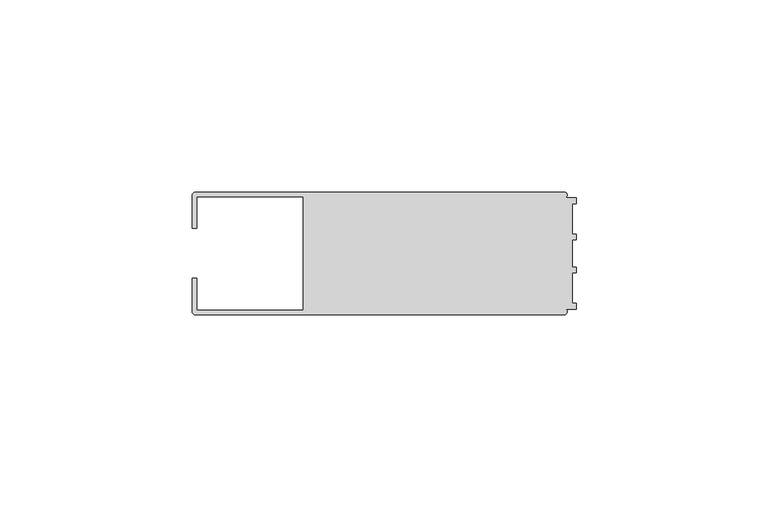
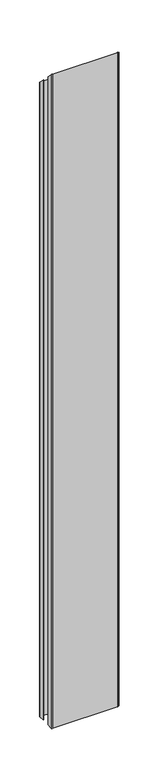
"""IFC4 building model written with IfcOpenShell, lengths in millimetres: member geometry."""

from ifc_helpers import new_model, si_unit, frame, origin, place, context, project, spatial, circle_curve, ellipse_curve, source, transform, mapped, element, save
from ifc_brep_helpers import plane_surface, cylinder_surface, advanced_brep


def member_c394996a(model_context):
    return source(origin(), model_context, "Body", "AdvancedBrep", [
        advanced_brep(
        [(-100.0, 6.5, -1000.0000001), (-100.0, 14.998921, -1000.0000001), (-98.998921, 16.0, -1000.0000001), (-3.1385263, 16.0, -1000.0000001), (-2.7260256, 14.4989182, -1000.0000001), (0.0, 14.4989182, -1000.0000001), (0.0, 12.9993664, -1000.0000001), (-0.999267, 12.9993664, -1000.0000001), (-0.999267, 5.0000405, -1000.0000001), (0.0, 5.0000405, -1000.0000001), (0.0, 3.5386284, -1000.0000001), (-0.999267, 3.5009282, -1000.0000001), (-0.999267, -3.5009282, -1000.0000001), (0.0, -3.5398992, -1000.0000001), (0.0, -5.0013113, -1000.0000001), (-0.999267, -5.0013113, -1000.0000001), (-0.999267, -13.0002136, -1000.0000001), (0.0, -13.0002136, -1000.0000001), (0.0, -14.5004469, -1000.0000001), (-2.7237818, -14.5004469, -1000.0000001), (-3.1117213, -16.0, -1000.0000001), (-98.9988146, -16.0, -1000.0000001), (-100.0, -14.9988146, -1000.0000001), (-100.0, -6.5002542, -1000.0000001), (-98.7495396, -6.5002542, -1000.0000001), (-98.7495396, -14.7490791, -1000.0000001), (-71.0, -14.7490791, -1000.0000001), (-71.0, 14.748825, -1000.0000001), (-98.7495396, 14.748825, -1000.0000001), (-98.7495396, 6.5, -1000.0000001), (-98.7495396, 6.5, -6.5), (-100.0, 6.5, -6.5), (-98.7495396, 14.748825, -14.748825), (-71.0, 14.748825, -14.748825), (-71.0, -14.7490791, 14.7490791), (-98.7495396, -14.7490791, 14.7490791), (-98.7495396, -6.5002542, 6.5002542), (-100.0, -6.5002542, 6.5002542), (-100.0, -14.9988146, 14.9988146), (-98.9988146, -16.0, 16.0), (-3.1117213, -16.0, 16.0), (-2.7237818, -14.5004469, 14.5004469), (0.0, -14.5004469, 14.5004469), (0.0, -13.0002136, 13.0002136), (-0.999267, -13.0002136, 13.0002136), (-0.999267, -5.0013113, 5.0013113), (0.0, -5.0013113, 5.0013113), (0.0, -3.5398992, 3.5398992), (-0.999267, -3.5009282, 3.5009282), (-0.999267, 3.5009282, -3.5009282), (0.0, 3.5386284, -3.5386284), (0.0, 5.0000405, -5.0000405), (-0.999267, 5.0000405, -5.0000405), (-0.999267, 12.9993664, -12.9993664), (0.0, 12.9993664, -12.9993664), (0.0, 14.4989182, -14.4989182), (-2.7260256, 14.4989182, -14.4989182), (-3.1385263, 16.0, -16.0), (-98.998921, 16.0, -16.0), (-100.0, 14.998921, -14.998921)],
        [
            (0, 1),
            (1, 2, circle_curve(frame((-98.998921, 14.998921, -1000.0000001), z_axis=(0.0, 0.0, -1.0), x_axis=(-1.0, 0.0, 0.0)), 1.001079)),
            (2, 3),
            (3, 4, circle_curve(frame((-3.1117577, 15.2001372, -1000.0000001), z_axis=(0.0, 0.0, -1.0), x_axis=(-1.0, 0.0, 0.0)), 0.8003107)),
            (4, 5),
            (5, 6),
            (6, 7),
            (7, 8),
            (8, 9),
            (9, 10),
            (10, 11),
            (11, 12),
            (12, 13),
            (13, 14),
            (14, 15),
            (15, 16),
            (16, 17),
            (17, 18),
            (18, 19),
            (19, 20, circle_curve(frame((-3.1117213, -15.2000428, -1000.0000001), z_axis=(0.0, 0.0, -1.0), x_axis=(-1.0, 0.0, 0.0)), 0.7999572)),
            (20, 21),
            (21, 22, circle_curve(frame((-98.9988146, -14.9988146, -1000.0000001), z_axis=(0.0, 0.0, -1.0), x_axis=(-1.0, 0.0, 0.0)), 1.0011854)),
            (22, 23),
            (23, 24),
            (24, 25),
            (25, 26),
            (26, 27),
            (27, 28),
            (28, 29),
            (29, 0),
            (30, 31),
            (31, 0),
            (29, 30),
            (32, 30),
            (28, 32),
            (33, 32),
            (27, 33),
            (34, 33),
            (26, 34),
            (35, 34),
            (25, 35),
            (36, 35),
            (24, 36),
            (37, 36),
            (23, 37),
            (38, 37),
            (22, 38),
            (39, 38, ellipse_curve(frame((-98.9988146, -14.9988146, 14.9988146), z_axis=(0.0, -0.7071067811865481, -0.707106781186547), x_axis=(0.0, -0.707106781186547, 0.7071067811865478)), 1.41589, 1.0011854)),
            (21, 39),
            (40, 39),
            (20, 40),
            (41, 40, ellipse_curve(frame((-3.1117213, -15.2000428, 15.2000428), z_axis=(0.0, -0.7071067811865481, -0.707106781186547), x_axis=(0.0, -0.707106781186547, 0.7071067811865478)), 1.1313103, 0.7999572)),
            (19, 41),
            (42, 41),
            (18, 42),
            (43, 42),
            (17, 43),
            (44, 43),
            (16, 44),
            (45, 44),
            (15, 45),
            (46, 45),
            (14, 46),
            (47, 46),
            (13, 47),
            (48, 47),
            (12, 48),
            (49, 48),
            (11, 49),
            (50, 49),
            (10, 50),
            (51, 50),
            (9, 51),
            (52, 51),
            (8, 52),
            (53, 52),
            (7, 53),
            (54, 53),
            (6, 54),
            (55, 54),
            (5, 55),
            (56, 55),
            (4, 56),
            (57, 56, ellipse_curve(frame((-3.1117577, 15.2001372, -15.2001372), z_axis=(0.0, -0.7071067811865481, -0.707106781186547), x_axis=(0.0, -0.707106781186547, 0.7071067811865478)), 1.1318102, 0.8003107)),
            (3, 57),
            (58, 57),
            (2, 58),
            (59, 58, ellipse_curve(frame((-98.998921, 14.998921, -14.998921), z_axis=(0.0, -0.7071067811865481, -0.707106781186547), x_axis=(0.0, -0.707106781186547, 0.7071067811865478)), 1.4157396, 1.001079)),
            (1, 59),
            (31, 59),
        ],
        [
            plane_surface(frame((0.0, -101.118582, -1000.0000001), z_axis=(0.0, 0.0, -1.0), x_axis=(-1.0, 0.0, 0.0))),
            plane_surface(frame((-100.0, 6.5, 0.0), z_axis=(0.0, -1.0, 0.0), x_axis=(0.0, 0.0, -1.0))),
            plane_surface(frame((-98.7495396, 6.5, 0.0), z_axis=(1.0, 0.0, 0.0), x_axis=(0.0, 0.0, -1.0))),
            plane_surface(frame((-98.7495396, 14.748825, 0.0), z_axis=(0.0, -1.0, 0.0), x_axis=(0.0, 0.0, -1.0))),
            plane_surface(frame((-71.0, 14.748825, 0.0), z_axis=(-1.0, 0.0, 0.0), x_axis=(0.0, 0.0, -1.0))),
            plane_surface(frame((-71.0, -14.7490791, 0.0), z_axis=(0.0, 1.0, 0.0), x_axis=(0.0, 0.0, -1.0))),
            plane_surface(frame((-98.7495396, -14.7490791, 0.0), z_axis=(1.0, 0.0, 0.0), x_axis=(0.0, 0.0, -1.0))),
            plane_surface(frame((-98.7495396, -6.5002542, 0.0), z_axis=(0.0, 1.0, 0.0), x_axis=(0.0, 0.0, -1.0))),
            plane_surface(frame((-100.0, -6.5002542, 0.0), z_axis=(-1.0, 0.0, 0.0), x_axis=(0.0, 0.0, -1.0))),
            cylinder_surface(frame((-98.9988146, -14.9988146, 0.0), z_axis=(0.0, 0.0, 1.0), x_axis=(-1.0, 0.0, 0.0)), 1.0011854),
            plane_surface(frame((-98.9988146, -16.0, 0.0), z_axis=(0.0, -1.0, 0.0), x_axis=(0.0, 0.0, -1.0))),
            cylinder_surface(frame((-3.1117213, -15.2000428, 0.0), z_axis=(0.0, 0.0, 1.0), x_axis=(-1.0, 0.0, 0.0)), 0.7999572),
            plane_surface(frame((-2.7237818, -14.5004469, 0.0), z_axis=(0.0, -1.0, 0.0), x_axis=(0.0, 0.0, -1.0))),
            plane_surface(frame((0.0, -14.5004469, 0.0), z_axis=(1.0, 0.0, 0.0), x_axis=(0.0, 0.0, -1.0))),
            plane_surface(frame((0.0, -13.0002136, 0.0), z_axis=(0.0, 1.0, 0.0), x_axis=(0.0, 0.0, -1.0))),
            plane_surface(frame((-0.999267, -13.0002136, 0.0), z_axis=(1.0, 0.0, 0.0), x_axis=(0.0, 0.0, -1.0))),
            plane_surface(frame((-0.999267, -5.0013113, 0.0), z_axis=(0.0, -1.0, 0.0), x_axis=(0.0, 0.0, -1.0))),
            plane_surface(frame((0.0, -5.0013113, 0.0), z_axis=(1.0, 0.0, 0.0), x_axis=(0.0, 0.0, -1.0))),
            plane_surface(frame((0.0, -3.5398992, 0.0), z_axis=(0.03896995134810028, 0.9992403829369221, 0.0), x_axis=(0.0, 0.0, -1.0))),
            plane_surface(frame((-0.999267, -3.5009282, 0.0), z_axis=(1.0, 0.0, 0.0), x_axis=(0.0, 0.0, -1.0))),
            plane_surface(frame((-0.999267, 3.5009282, 0.0), z_axis=(0.03770102867817033, -0.9992890635029525, 0.0), x_axis=(0.0, 0.0, -1.0))),
            plane_surface(frame((0.0, 3.5386284, 0.0), z_axis=(1.0, 0.0, 0.0), x_axis=(0.0, 0.0, -1.0))),
            plane_surface(frame((0.0, 5.0000405, 0.0), z_axis=(0.0, 1.0, 0.0), x_axis=(0.0, 0.0, -1.0))),
            plane_surface(frame((-0.999267, 5.0000405, 0.0), z_axis=(1.0, 0.0, 0.0), x_axis=(0.0, 0.0, -1.0))),
            plane_surface(frame((-0.999267, 12.9993664, 0.0), z_axis=(0.0, -1.0, 0.0), x_axis=(0.0, 0.0, -1.0))),
            plane_surface(frame((0.0, 12.9993664, 0.0), z_axis=(1.0, 0.0, 0.0), x_axis=(0.0, 0.0, -1.0))),
            plane_surface(frame((0.0, 14.4989182, 0.0), z_axis=(0.0, 1.0, 0.0), x_axis=(0.0, 0.0, -1.0))),
            cylinder_surface(frame((-3.1117577, 15.2001372, 0.0), z_axis=(0.0, 0.0, 1.0), x_axis=(-1.0, 0.0, 0.0)), 0.8003107),
            plane_surface(frame((-3.1385263, 16.0, 0.0), z_axis=(0.0, 1.0, 0.0), x_axis=(0.0, 0.0, -1.0))),
            cylinder_surface(frame((-98.998921, 14.998921, 0.0), z_axis=(0.0, 0.0, 1.0), x_axis=(-1.0, 0.0, 0.0)), 1.001079),
            plane_surface(frame((-100.0, 14.998921, 0.0), z_axis=(-1.0, 0.0, 0.0), x_axis=(0.0, 0.0, -1.0))),
            plane_surface(frame((-304.8, 0.0, 0.0), z_axis=(0.0, 0.7071067811865481, 0.707106781186547), x_axis=(0.0, 0.707106781186547, -0.7071067811865481))),
        ],
        [
            (0, [[1, 2, 3, 4, 5, 6, 7, 8, 9, 10, 11, 12, 13, 14, 15, 16, 17, 18, 19, 20, 21, 22, 23, 24, 25, 26, 27, 28, 29, 30]]),
            (1, [[31, 32, -30, 33]]),
            (2, [[34, -33, -29, 35]]),
            (3, [[36, -35, -28, 37]]),
            (4, [[38, -37, -27, 39]]),
            (5, [[40, -39, -26, 41]]),
            (6, [[42, -41, -25, 43]]),
            (7, [[44, -43, -24, 45]]),
            (8, [[46, -45, -23, 47]]),
            (9, [[48, -47, -22, 49]]),
            (10, [[50, -49, -21, 51]]),
            (11, [[52, -51, -20, 53]]),
            (12, [[54, -53, -19, 55]]),
            (13, [[56, -55, -18, 57]]),
            (14, [[58, -57, -17, 59]]),
            (15, [[60, -59, -16, 61]]),
            (16, [[62, -61, -15, 63]]),
            (17, [[64, -63, -14, 65]]),
            (18, [[66, -65, -13, 67]]),
            (19, [[68, -67, -12, 69]]),
            (20, [[70, -69, -11, 71]]),
            (21, [[72, -71, -10, 73]]),
            (22, [[74, -73, -9, 75]]),
            (23, [[76, -75, -8, 77]]),
            (24, [[78, -77, -7, 79]]),
            (25, [[80, -79, -6, 81]]),
            (26, [[82, -81, -5, 83]]),
            (27, [[84, -83, -4, 85]]),
            (28, [[86, -85, -3, 87]]),
            (29, [[88, -87, -2, 89]]),
            (30, [[90, -89, -1, -32]]),
            (31, [[-31, -34, -36, -38, -40, -42, -44, -46, -48, -50, -52, -54, -56, -58, -60, -62, -64, -66, -68, -70, -72, -74, -76, -78, -80, -82, -84, -86, -88, -90]]),
        ],
    ),
    ])


if __name__ == "__main__":
    model = new_model("IFC4")
    model_context = context("Model", 3, world=origin())
    ifc_project = project(units=[si_unit("LENGTHUNIT", "METRE", prefix="MILLI")], contexts=[model_context])
    site = spatial("IfcSite", under=ifc_project)
    building = spatial("IfcBuilding", under=site)
    placement = place(None, origin())
    member_shape = member_c394996a(model_context)
    element("IfcMember", 1, at=placement, inside=building, context=model_context, shape_type="MappedRepresentation", body=[
        mapped(member_shape, transform((0.0, 0.0, 0.0), x_axis=(1.0, 0.0, 0.0), y_axis=(0.0, 1.0, 0.0), z_axis=(0.0, 0.0, 1.0))),
    ])
    save(model, "model.ifc")
